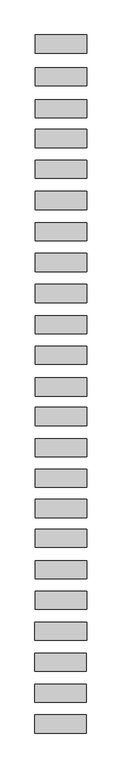
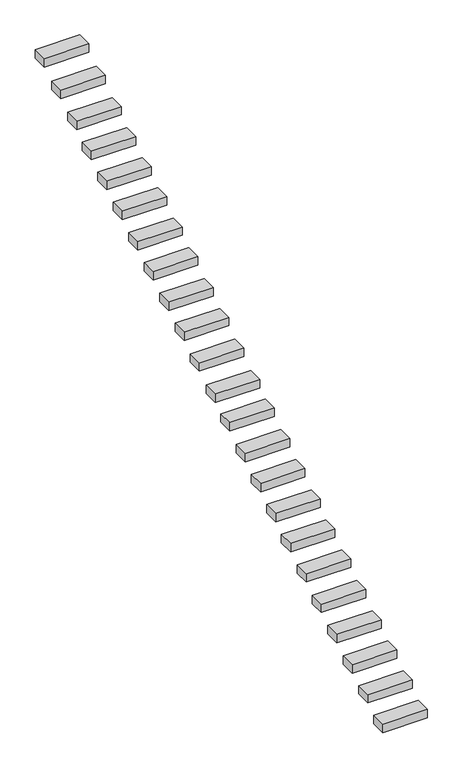
"""IFC4 building model written with IfcOpenShell, lengths in millimetres: proxy geometry."""

from ifc_helpers import new_model, si_unit, frame, origin, place, context, project, spatial, polyline, outline, extrude, source, transform, mapped, element, save


def generic_models_ca48e142(model_context):
    return source(origin(), model_context, "Body", "SweptSolid", [
        extrude(outline(polyline([(-621.2488275, 5252.2165463), (628.7511725, 5252.2165463), (628.7511725, 4812.2165463), (-621.2488275, 4812.2165463), (-621.2488275, 5252.2165463)])), frame((0.0, 0.0, 3069.7876088), z_axis=(0.0, 0.0, 1.0), x_axis=(1.0, 0.0, 0.0)), (0.0, 0.0, 1.0), 250.0),
        extrude(outline(polyline([(-621.3008876, 4455.7703402), (628.6991124, 4455.7703402), (628.6991124, 4015.7703402), (-621.3008876, 4015.7703402), (-621.3008876, 4455.7703402)])), frame((0.0, 0.0, 2617.90548), z_axis=(0.0, 0.0, 1.0), x_axis=(1.0, 0.0, 0.0)), (0.0, 0.0, 1.0), 250.0),
        extrude(outline(polyline([(-621.9313238, 3683.6450389), (628.0686762, 3683.6450389), (628.0686762, 3243.6450389), (-621.9313238, 3243.6450389), (-621.9313238, 3683.6450389)])), frame((0.0, 0.0, 2160.0080185), z_axis=(0.0, 0.0, 1.0), x_axis=(1.0, 0.0, 0.0)), (0.0, 0.0, 1.0), 250.0),
        extrude(outline(polyline([(-622.5230296, 2958.9548084), (627.4769704, 2958.9548084), (627.4769704, 2518.9548084), (-622.5230296, 2518.9548084), (-622.5230296, 2958.9548084)])), frame((0.0, 0.0, 1707.5980503), z_axis=(0.0, 0.0, 1.0), x_axis=(1.0, 0.0, 0.0)), (0.0, 0.0, 1.0), 250.0),
        extrude(outline(polyline([(-623.1291698, 2216.585983), (626.8708302, 2216.585983), (626.8708302, 1776.585983), (-623.1291698, 1776.585983), (-623.1291698, 2216.585983)])), frame((0.0, 0.0, 1266.1611737), z_axis=(0.0, 0.0, 1.0), x_axis=(1.0, 0.0, 0.0)), (0.0, 0.0, 1.0), 250.0),
        extrude(outline(polyline([(-623.7486575, 1457.8698205), (626.2513425, 1457.8698205), (626.2513425, 1017.8698205), (-623.7486575, 1017.8698205), (-623.7486575, 1457.8698205)])), frame((0.0, 0.0, 832.103016), z_axis=(0.0, 0.0, 1.0), x_axis=(1.0, 0.0, 0.0)), (0.0, 0.0, 1.0), 250.0),
        extrude(outline(polyline([(-624.3685893, 698.6097678), (625.6314107, 698.6097678), (625.6314107, 258.6097678), (-624.3685893, 258.6097678), (-624.3685893, 698.6097678)])), frame((0.0, 0.0, 392.0708191), z_axis=(0.0, 0.0, 1.0), x_axis=(1.0, 0.0, 0.0)), (0.0, 0.0, 1.0), 250.0),
        extrude(outline(polyline([(-624.9787656, -48.7021938), (625.0212344, -48.7021938), (625.0212344, -488.7021938), (-624.9787656, -488.7021938), (-624.9787656, -48.7021938)])), frame((0.0, 0.0, -42.717868), z_axis=(0.0, 0.0, 1.0), x_axis=(1.0, 0.0, 0.0)), (0.0, 0.0, 1.0), 250.0),
        extrude(outline(polyline([(-625.5924743, -800.3405012), (624.4075257, -800.3405012), (624.4075257, -1240.3405012), (-625.5924743, -1240.3405012), (-625.5924743, -800.3405012)])), frame((0.0, 0.0, -498.2370844), z_axis=(0.0, 0.0, 1.0), x_axis=(1.0, 0.0, 0.0)), (0.0, 0.0, 1.0), 250.0),
        extrude(outline(polyline([(-626.2069318, -1552.8959753), (623.7930682, -1552.8959753), (623.7930682, -1992.8959753), (-626.2069318, -1992.8959753), (-626.2069318, -1552.8959753)])), frame((0.0, 0.0, -930.1605068), z_axis=(0.0, 0.0, 1.0), x_axis=(1.0, 0.0, 0.0)), (0.0, 0.0, 1.0), 250.0),
        extrude(outline(polyline([(-626.8107326, -2292.3995396), (623.1892674, -2292.3995396), (623.1892674, -2732.3995396), (-626.8107326, -2732.3995396), (-626.8107326, -2292.3995396)])), frame((0.0, 0.0, -1395.1927037), z_axis=(0.0, 0.0, 1.0), x_axis=(1.0, 0.0, 0.0)), (0.0, 0.0, 1.0), 250.0),
        extrude(outline(polyline([(-627.4436607, -3067.5767632), (622.5563393, -3067.5767632), (622.5563393, -3507.5767632), (-627.4436607, -3507.5767632), (-627.4436607, -3067.5767632)])), frame((0.0, 0.0, -1853.520332), z_axis=(0.0, 0.0, 1.0), x_axis=(1.0, 0.0, 0.0)), (0.0, 0.0, 1.0), 250.0),
        extrude(outline(polyline([(-628.0277783, -3782.9734901), (621.9722217, -3782.9734901), (621.9722217, -4222.9734901), (-628.0277783, -4222.9734901), (-628.0277783, -3782.9734901)])), frame((0.0, 0.0, -2271.0245004), z_axis=(0.0, 0.0, 1.0), x_axis=(1.0, 0.0, 0.0)), (0.0, 0.0, 1.0), 250.0),
        extrude(outline(polyline([(-628.6431786, -4536.6836108), (621.3568214, -4536.6836108), (621.3568214, -4976.6836108), (-628.6431786, -4976.6836108), (-628.6431786, -4536.6836108)])), frame((0.0, 0.0, -2724.4562148), z_axis=(0.0, 0.0, 1.0), x_axis=(1.0, 0.0, 0.0)), (0.0, 0.0, 1.0), 250.0),
        extrude(outline(polyline([(-629.2471844, -5276.4382381), (620.7528156, -5276.4382381), (620.7528156, -5716.4382381), (-629.2471844, -5716.4382381), (-629.2471844, -5276.4382381)])), frame((0.0, 0.0, -3165.8708789), z_axis=(0.0, 0.0, 1.0), x_axis=(1.0, 0.0, 0.0)), (0.0, 0.0, 1.0), 250.0),
        extrude(outline(polyline([(-629.8479311, -6012.2014002), (620.1520689, -6012.2014002), (620.1520689, -6452.2014002), (-629.8479311, -6452.2014002), (-629.8479311, -6012.2014002)])), frame((0.0, 0.0, -3620.0923631), z_axis=(0.0, 0.0, 1.0), x_axis=(1.0, 0.0, 0.0)), (0.0, 0.0, 1.0), 250.0),
        extrude(outline(polyline([(-630.4408353, -6738.3594547), (619.5591647, -6738.3594547), (619.5591647, -7178.3594547), (-630.4408353, -7178.3594547), (-630.4408353, -6738.3594547)])), frame((0.0, 0.0, -4068.5240774), z_axis=(0.0, 0.0, 1.0), x_axis=(1.0, 0.0, 0.0)), (0.0, 0.0, 1.0), 250.0),
        extrude(outline(polyline([(-631.0642861, -7501.929425), (618.9357139, -7501.929425), (618.9357139, -7941.929425), (-631.0642861, -7941.929425), (-631.0642861, -7501.929425)])), frame((0.0, 0.0, -4501.9557918), z_axis=(0.0, 0.0, 1.0), x_axis=(1.0, 0.0, 0.0)), (0.0, 0.0, 1.0), 250.0),
        extrude(outline(polyline([(-631.6668236, -8239.885778), (618.3331764, -8239.885778), (618.3331764, -8679.885778), (-631.6668236, -8679.885778), (-631.6668236, -8239.885778)])), frame((0.0, 0.0, -4960.1687508), z_axis=(0.0, 0.0, 1.0), x_axis=(1.0, 0.0, 0.0)), (0.0, 0.0, 1.0), 250.0),
        extrude(outline(polyline([(-632.2763801, -8986.4386964), (617.7236199, -8986.4386964), (617.7236199, -9426.4386964), (-632.2763801, -9426.4386964), (-632.2763801, -8986.4386964)])), frame((0.0, 0.0, -5409.390235), z_axis=(0.0, 0.0, 1.0), x_axis=(1.0, 0.0, 0.0)), (0.0, 0.0, 1.0), 250.0),
        extrude(outline(polyline([(-632.8908425, -9739.0001554), (617.1091575, -9739.0001554), (617.1091575, -10179.0001554), (-632.8908425, -10179.0001554), (-632.8908425, -9739.0001554)])), frame((0.0, 0.0, -5850.6287695), z_axis=(0.0, 0.0, 1.0), x_axis=(1.0, 0.0, 0.0)), (0.0, 0.0, 1.0), 250.0),
        extrude(outline(polyline([(-633.5102109, -10497.5701458), (616.4897891, -10497.5701458), (616.4897891, -10937.5701458), (-633.5102109, -10937.5701458), (-633.5102109, -10497.5701458)])), frame((0.0, 0.0, -6277.2621889), z_axis=(0.0, 0.0, 1.0), x_axis=(1.0, 0.0, 0.0)), (0.0, 0.0, 1.0), 250.0),
        extrude(outline(polyline([(-634.1165084, -11240.1315897), (615.8834916, -11240.1315897), (615.8834916, -11680.1315897), (-634.1165084, -11680.1315897), (-634.1165084, -11240.1315897)])), frame((0.0, 0.0, -6706.9526569), z_axis=(0.0, 0.0, 1.0), x_axis=(1.0, 0.0, 0.0)), (0.0, 0.0, 1.0), 250.0),
    ])


if __name__ == "__main__":
    model = new_model("IFC4")
    model_context = context("Model", 3, world=origin())
    ifc_project = project(units=[si_unit("LENGTHUNIT", "METRE", prefix="MILLI")], contexts=[model_context])
    site = spatial("IfcSite", under=ifc_project)
    building = spatial("IfcBuilding", under=site)
    placement = place(None, origin())
    generic_models_shape = generic_models_ca48e142(model_context)
    element("IfcBuildingElementProxy", 1, Name="Generic Models", at=placement, inside=building, context=model_context, shape_type="MappedRepresentation", body=[
        mapped(generic_models_shape, transform((0.0, 0.0, 0.0), x_axis=(1.0, 0.0, 0.0), y_axis=(0.0, 1.0, 0.0), z_axis=(0.0, 0.0, 1.0))),
    ])
    save(model, "model.ifc")
